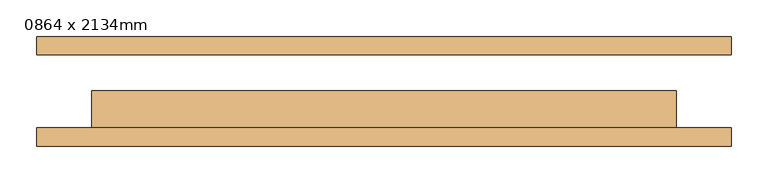
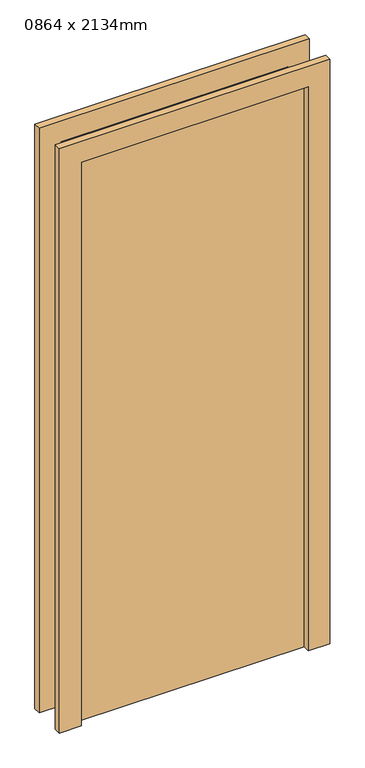
"""IFC4 building model written with IfcOpenShell, lengths in millimetres: door geometry, 0864 x 2134mm."""

import ifcopenshell
import ifcopenshell.guid

model = None  # the IFC model being written
_history = None  # IfcOwnerHistory: only IFC2X3 demands one
_inside = {}  # id of a spatial element -> (the spatial element, [elements in it])
_under = {}  # id of a project, library or spatial element -> (it, [spatial elements below it])
_declared = {}  # id of a project -> (the project, [libraries it declares])
_typed = {}  # id of a type object -> (the type object, [elements of that type])
_made_of = {}  # id of a material, layer set ... -> (it, [elements and type objects made of it])


def new_model(schema):
    """Start an empty IFC model of exactly this schema.

    Asked for "IFC4X3", IfcOpenShell would pick the latest addendum, in which some entities
    have other attributes; the version numbers below select the first issue.
    IFC2X3 requires an IfcOwnerHistory on every rooted entity: one is made here for all.
    """
    global model, _history
    if schema == "IFC4X3":
        model = ifcopenshell.file(schema_version=(4, 3, 0, 0))
    else:
        model = ifcopenshell.file(schema=schema)
    _inside.clear()
    _under.clear()
    _declared.clear()
    _typed.clear()
    _made_of.clear()
    _history = None
    if model.schema == "IFC2X3":
        org = make("IfcOrganization", Name="unknown")
        user = make(
            "IfcPersonAndOrganization",
            ThePerson=make("IfcPerson", FamilyName="unknown"),
            TheOrganization=org,
        )
        app = make(
            "IfcApplication",
            ApplicationDeveloper=org,
            Version="unknown",
            ApplicationFullName="unknown",
            ApplicationIdentifier="unknown",
        )
        _history = make(
            "IfcOwnerHistory",
            OwningUser=user,
            OwningApplication=app,
            ChangeAction="ADDED",
            CreationDate=0,
        )
    return model


def make(cls, **values):
    """One entity of the class cls with the attributes given. An attribute that is None is left unset."""
    return model.create_entity(
        cls, **{name: value for name, value in values.items() if value is not None}
    )


def rooted(cls, **values):
    """An entity with a GlobalId (a new one), such as an element, a storey or a relation."""
    return make(cls, GlobalId=ifcopenshell.guid.new(), OwnerHistory=_history, **values)


def si_unit(unit_type, name, prefix=None):
    """IfcSIUnit, for example si_unit("LENGTHUNIT", "METRE", prefix="MILLI")."""
    return make("IfcSIUnit", UnitType=unit_type, Prefix=prefix, Name=name)


def assignment(units):
    """IfcUnitAssignment: the units of a project."""
    return None if units is None else make("IfcUnitAssignment", Units=units)


def point(xyz):
    """IfcCartesianPoint."""
    return None if xyz is None else make("IfcCartesianPoint", Coordinates=xyz)


def direction(xyz):
    """IfcDirection."""
    return None if xyz is None else make("IfcDirection", DirectionRatios=xyz)


def frame(location, z_axis=None, x_axis=None):
    """IfcAxis2Placement3D, a coordinate frame: its origin and axes. An axis left out is left unset."""
    return make(
        "IfcAxis2Placement3D",
        Location=point(location),
        Axis=direction(z_axis),
        RefDirection=direction(x_axis),
    )


def origin():
    """The frame at (0, 0, 0) with its axes left unset."""
    return frame((0.0, 0.0, 0.0))


def origin_with_axes():
    """The frame at (0, 0, 0) with the z axis (0, 0, 1) and the x axis (1, 0, 0) written out."""
    return frame((0.0, 0.0, 0.0), z_axis=(0.0, 0.0, 1.0), x_axis=(1.0, 0.0, 0.0))


def place(relative_to, where):
    """IfcLocalPlacement: puts the frame where relative to a parent placement (None: the world)."""
    return make(
        "IfcLocalPlacement", PlacementRelTo=relative_to, RelativePlacement=where
    )


def context(
    kind, dimensions, precision=None, world=None, true_north=None, identifier=None
):
    """IfcGeometricRepresentationContext, for example the 3D "Model" context."""
    return make(
        "IfcGeometricRepresentationContext",
        ContextIdentifier=identifier,
        ContextType=kind,
        CoordinateSpaceDimension=dimensions,
        Precision=precision,
        WorldCoordinateSystem=world,
        TrueNorth=true_north,
    )


def project(units=None, contexts=None):
    """IfcProject with its units and contexts."""
    return rooted(
        "IfcProject",
        Name="project",
        RepresentationContexts=contexts,
        UnitsInContext=assignment(units),
    )


def spatial(cls, under=None, at=None, **own):
    """A site, building, storey or space (cls), placed at a placement, below another one or the project."""
    s = rooted(cls, ObjectPlacement=at, **own)
    if under is not None:
        _under.setdefault(under.id(), (under, []))[1].append(s)
    return s


def polyline(points):
    """IfcPolyline through the points."""
    return make("IfcPolyline", Points=[point(p) for p in points])


def outline(outer, holes=None, kind="AREA"):
    """IfcArbitraryClosedProfileDef: a profile drawn as a closed curve; with holes, ...WithVoids."""
    if holes is None:
        return make("IfcArbitraryClosedProfileDef", ProfileType=kind, OuterCurve=outer)
    return make(
        "IfcArbitraryProfileDefWithVoids",
        ProfileType=kind,
        OuterCurve=outer,
        InnerCurves=holes,
    )


def extrude(swept, where, along, depth):
    """IfcExtrudedAreaSolid: the profile swept, set in the frame where, extruded along a direction by depth."""
    return make(
        "IfcExtrudedAreaSolid",
        SweptArea=swept,
        Position=where,
        ExtrudedDirection=direction(along),
        Depth=depth,
    )


def shape(context_of_items, identifier, shape_type, items):
    """IfcShapeRepresentation: the items that make up one representation, for example the "Body"."""
    return make(
        "IfcShapeRepresentation",
        ContextOfItems=context_of_items,
        RepresentationIdentifier=identifier,
        RepresentationType=shape_type,
        Items=items,
    )


def source(mapping_origin, context_of_items, identifier, shape_type, items):
    """IfcRepresentationMap: a shape defined once, which mapped items show again and again."""
    return make(
        "IfcRepresentationMap",
        MappingOrigin=mapping_origin,
        MappedRepresentation=shape(context_of_items, identifier, shape_type, items),
    )


def transform(
    local_origin,
    x_axis=None,
    y_axis=None,
    z_axis=None,
    scale=None,
    scale2=None,
    scale3=None,
    uniform=True,
):
    """IfcCartesianTransformationOperator3D, or its non-uniform kind. x_axis, y_axis, z_axis: its Axis1, 2, 3."""
    if uniform:
        return make(
            "IfcCartesianTransformationOperator3D",
            Axis1=direction(x_axis),
            Axis2=direction(y_axis),
            LocalOrigin=point(local_origin),
            Scale=scale,
            Axis3=direction(z_axis),
        )
    return make(
        "IfcCartesianTransformationOperator3DnonUniform",
        Axis1=direction(x_axis),
        Axis2=direction(y_axis),
        LocalOrigin=point(local_origin),
        Scale=scale,
        Axis3=direction(z_axis),
        Scale2=scale2,
        Scale3=scale3,
    )


def mapped(mapping_source, mapping_target):
    """IfcMappedItem: shows the shape of a source again, moved by a transform."""
    return make(
        "IfcMappedItem", MappingSource=mapping_source, MappingTarget=mapping_target
    )


def made_of(thing, what):
    """Note that an element or type object is made of a material, layer set ...; save() writes the relation."""
    if what is not None:
        _made_of.setdefault(what.id(), (what, []))[1].append(thing)
    return thing


def element(
    cls,
    number,
    at=None,
    inside=None,
    cuts=None,
    type_object=None,
    material=None,
    context=None,
    identifier="Body",
    shape_type=None,
    held_by="IfcProductDefinitionShape",
    body=None,
    shapes=None,
    **own,
):
    """One element of the class cls, such as IfcWall. Its Tag is "e" and its number.

    at: its placement. inside: the storey or other place that contains it. cuts: it is an
    opening in that element (IfcRelVoidsElement). A single representation is given by context,
    identifier, shape_type and body (its items); several are given by shapes. held_by: the class
    of the entity that holds the representations. save() writes the other relations.
    """
    e = rooted(cls, Tag="e%d" % number, ObjectPlacement=at, **own)
    if body is not None:
        shapes = [shape(context, identifier, shape_type, body)]
    if shapes is not None:
        e.Representation = make(held_by, Representations=shapes)
    if inside is not None:
        _inside.setdefault(inside.id(), (inside, []))[1].append(e)
    if cuts is not None:
        rooted(
            "IfcRelVoidsElement", RelatingBuildingElement=cuts, RelatedOpeningElement=e
        )
    if type_object is not None:
        _typed.setdefault(type_object.id(), (type_object, []))[1].append(e)
    return made_of(e, material)


def aggregate(whole, parts):
    """IfcRelAggregates: a whole, such as a stair, and the parts it consists of."""
    return rooted("IfcRelAggregates", RelatingObject=whole, RelatedObjects=parts)


def save(model, path):
    """Write the relations noted so far, then the file.

    IfcRelAggregates (storeys below a building ...), IfcRelContainedInSpatialStructure (elements
    in a storey), IfcRelDefinesByType, IfcRelAssociatesMaterial and IfcRelDeclares: one each for
    every whole, place, type object, material and project.
    """
    for whole, parts in _under.values():
        aggregate(whole, parts)
    for where, things in _inside.values():
        rooted(
            "IfcRelContainedInSpatialStructure",
            RelatedElements=things,
            RelatingStructure=where,
        )
    for kind, things in _typed.values():
        rooted("IfcRelDefinesByType", RelatedObjects=things, RelatingType=kind)
    for what, things in _made_of.values():
        rooted("IfcRelAssociatesMaterial", RelatedObjects=things, RelatingMaterial=what)
    for by, libraries in _declared.values():
        rooted("IfcRelDeclares", RelatingContext=by, RelatedDefinitions=libraries)
    model.write(path)


def door_0864_x_2134mm_e1c1bfab(model_context):
    return source(origin(), model_context, "Body", "SweptSolid", [
        extrude(outline(polyline([(2176.0, -476.0), (0.0, -476.0), (0.0, -400.0), (2100.0, -400.0), (2100.0, 400.0), (0.0, 400.0), (0.0, 476.0), (2176.0, 476.0), (2176.0, -476.0)])), frame((0.0, -75.0, 0.0), z_axis=(0.0, 1.0, 0.0), x_axis=(0.0, 0.0, 1.0)), (0.0, 0.0, 1.0), 25.0),
        extrude(outline(polyline([(2176.0, 476.0), (2176.0, -476.0), (0.0, -476.0), (0.0, -400.0), (2100.0, -400.0), (2100.0, 400.0), (0.0, 400.0), (0.0, 476.0), (2176.0, 476.0)])), frame((0.0, 50.0, 0.0), z_axis=(0.0, 1.0, 0.0), x_axis=(0.0, 0.0, 1.0)), (0.0, 0.0, 1.0), 25.0),
        extrude(outline(polyline([(400.0, 1.0), (400.0, -50.0), (-400.0, -50.0), (-400.0, 1.0), (400.0, 1.0)])), origin_with_axes(), (0.0, 0.0, 1.0), 2100.0),
    ])


if __name__ == "__main__":
    model = new_model("IFC4")
    model_context = context("Model", 3, world=origin())
    ifc_project = project(units=[si_unit("LENGTHUNIT", "METRE", prefix="MILLI")], contexts=[model_context])
    site = spatial("IfcSite", under=ifc_project)
    building = spatial("IfcBuilding", under=site)
    placement = place(None, origin())
    door_0864_x_2134mm_shape = door_0864_x_2134mm_e1c1bfab(model_context)
    element("IfcDoor", 1, ObjectType="0864 x 2134mm", at=placement, inside=building, context=model_context, shape_type="MappedRepresentation", body=[
        mapped(door_0864_x_2134mm_shape, transform((0.0, 0.0, 0.0), x_axis=(1.0, 0.0, 0.0), y_axis=(0.0, 1.0, 0.0), z_axis=(0.0, 0.0, 1.0))),
    ])
    save(model, "model.ifc")
